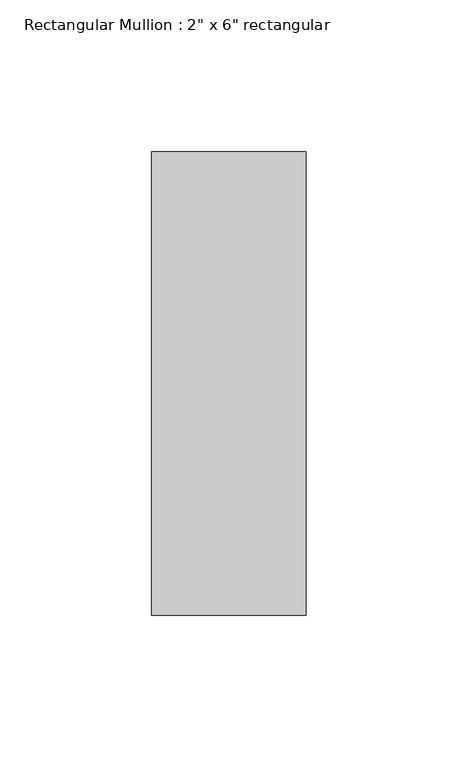
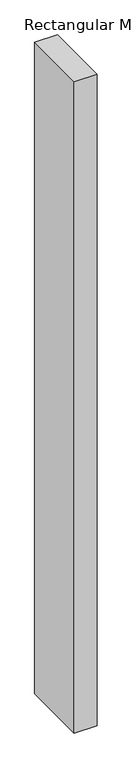
"""IFC4 building model written with IfcOpenShell, lengths in millimetres: member geometry."""

import ifcopenshell
import ifcopenshell.guid

model = None  # the IFC model being written
_history = None  # IfcOwnerHistory: only IFC2X3 demands one
_inside = {}  # id of a spatial element -> (the spatial element, [elements in it])
_under = {}  # id of a project, library or spatial element -> (it, [spatial elements below it])
_declared = {}  # id of a project -> (the project, [libraries it declares])
_typed = {}  # id of a type object -> (the type object, [elements of that type])
_made_of = {}  # id of a material, layer set ... -> (it, [elements and type objects made of it])


def new_model(schema):
    """Start an empty IFC model of exactly this schema.

    Asked for "IFC4X3", IfcOpenShell would pick the latest addendum, in which some entities
    have other attributes; the version numbers below select the first issue.
    IFC2X3 requires an IfcOwnerHistory on every rooted entity: one is made here for all.
    """
    global model, _history
    if schema == "IFC4X3":
        model = ifcopenshell.file(schema_version=(4, 3, 0, 0))
    else:
        model = ifcopenshell.file(schema=schema)
    _inside.clear()
    _under.clear()
    _declared.clear()
    _typed.clear()
    _made_of.clear()
    _history = None
    if model.schema == "IFC2X3":
        org = make("IfcOrganization", Name="unknown")
        user = make(
            "IfcPersonAndOrganization",
            ThePerson=make("IfcPerson", FamilyName="unknown"),
            TheOrganization=org,
        )
        app = make(
            "IfcApplication",
            ApplicationDeveloper=org,
            Version="unknown",
            ApplicationFullName="unknown",
            ApplicationIdentifier="unknown",
        )
        _history = make(
            "IfcOwnerHistory",
            OwningUser=user,
            OwningApplication=app,
            ChangeAction="ADDED",
            CreationDate=0,
        )
    return model


def make(cls, **values):
    """One entity of the class cls with the attributes given. An attribute that is None is left unset."""
    return model.create_entity(
        cls, **{name: value for name, value in values.items() if value is not None}
    )


def rooted(cls, **values):
    """An entity with a GlobalId (a new one), such as an element, a storey or a relation."""
    return make(cls, GlobalId=ifcopenshell.guid.new(), OwnerHistory=_history, **values)


def si_unit(unit_type, name, prefix=None):
    """IfcSIUnit, for example si_unit("LENGTHUNIT", "METRE", prefix="MILLI")."""
    return make("IfcSIUnit", UnitType=unit_type, Prefix=prefix, Name=name)


def assignment(units):
    """IfcUnitAssignment: the units of a project."""
    return None if units is None else make("IfcUnitAssignment", Units=units)


def point(xyz):
    """IfcCartesianPoint."""
    return None if xyz is None else make("IfcCartesianPoint", Coordinates=xyz)


def direction(xyz):
    """IfcDirection."""
    return None if xyz is None else make("IfcDirection", DirectionRatios=xyz)


def frame(location, z_axis=None, x_axis=None):
    """IfcAxis2Placement3D, a coordinate frame: its origin and axes. An axis left out is left unset."""
    return make(
        "IfcAxis2Placement3D",
        Location=point(location),
        Axis=direction(z_axis),
        RefDirection=direction(x_axis),
    )


def origin():
    """The frame at (0, 0, 0) with its axes left unset."""
    return frame((0.0, 0.0, 0.0))


def place(relative_to, where):
    """IfcLocalPlacement: puts the frame where relative to a parent placement (None: the world)."""
    return make(
        "IfcLocalPlacement", PlacementRelTo=relative_to, RelativePlacement=where
    )


def context(
    kind, dimensions, precision=None, world=None, true_north=None, identifier=None
):
    """IfcGeometricRepresentationContext, for example the 3D "Model" context."""
    return make(
        "IfcGeometricRepresentationContext",
        ContextIdentifier=identifier,
        ContextType=kind,
        CoordinateSpaceDimension=dimensions,
        Precision=precision,
        WorldCoordinateSystem=world,
        TrueNorth=true_north,
    )


def project(units=None, contexts=None):
    """IfcProject with its units and contexts."""
    return rooted(
        "IfcProject",
        Name="project",
        RepresentationContexts=contexts,
        UnitsInContext=assignment(units),
    )


def spatial(cls, under=None, at=None, **own):
    """A site, building, storey or space (cls), placed at a placement, below another one or the project."""
    s = rooted(cls, ObjectPlacement=at, **own)
    if under is not None:
        _under.setdefault(under.id(), (under, []))[1].append(s)
    return s


def polyline(points):
    """IfcPolyline through the points."""
    return make("IfcPolyline", Points=[point(p) for p in points])


def outline(outer, holes=None, kind="AREA"):
    """IfcArbitraryClosedProfileDef: a profile drawn as a closed curve; with holes, ...WithVoids."""
    if holes is None:
        return make("IfcArbitraryClosedProfileDef", ProfileType=kind, OuterCurve=outer)
    return make(
        "IfcArbitraryProfileDefWithVoids",
        ProfileType=kind,
        OuterCurve=outer,
        InnerCurves=holes,
    )


def extrude(swept, where, along, depth):
    """IfcExtrudedAreaSolid: the profile swept, set in the frame where, extruded along a direction by depth."""
    return make(
        "IfcExtrudedAreaSolid",
        SweptArea=swept,
        Position=where,
        ExtrudedDirection=direction(along),
        Depth=depth,
    )


def shape(context_of_items, identifier, shape_type, items):
    """IfcShapeRepresentation: the items that make up one representation, for example the "Body"."""
    return make(
        "IfcShapeRepresentation",
        ContextOfItems=context_of_items,
        RepresentationIdentifier=identifier,
        RepresentationType=shape_type,
        Items=items,
    )


def source(mapping_origin, context_of_items, identifier, shape_type, items):
    """IfcRepresentationMap: a shape defined once, which mapped items show again and again."""
    return make(
        "IfcRepresentationMap",
        MappingOrigin=mapping_origin,
        MappedRepresentation=shape(context_of_items, identifier, shape_type, items),
    )


def transform(
    local_origin,
    x_axis=None,
    y_axis=None,
    z_axis=None,
    scale=None,
    scale2=None,
    scale3=None,
    uniform=True,
):
    """IfcCartesianTransformationOperator3D, or its non-uniform kind. x_axis, y_axis, z_axis: its Axis1, 2, 3."""
    if uniform:
        return make(
            "IfcCartesianTransformationOperator3D",
            Axis1=direction(x_axis),
            Axis2=direction(y_axis),
            LocalOrigin=point(local_origin),
            Scale=scale,
            Axis3=direction(z_axis),
        )
    return make(
        "IfcCartesianTransformationOperator3DnonUniform",
        Axis1=direction(x_axis),
        Axis2=direction(y_axis),
        LocalOrigin=point(local_origin),
        Scale=scale,
        Axis3=direction(z_axis),
        Scale2=scale2,
        Scale3=scale3,
    )


def mapped(mapping_source, mapping_target):
    """IfcMappedItem: shows the shape of a source again, moved by a transform."""
    return make(
        "IfcMappedItem", MappingSource=mapping_source, MappingTarget=mapping_target
    )


def made_of(thing, what):
    """Note that an element or type object is made of a material, layer set ...; save() writes the relation."""
    if what is not None:
        _made_of.setdefault(what.id(), (what, []))[1].append(thing)
    return thing


def element(
    cls,
    number,
    at=None,
    inside=None,
    cuts=None,
    type_object=None,
    material=None,
    context=None,
    identifier="Body",
    shape_type=None,
    held_by="IfcProductDefinitionShape",
    body=None,
    shapes=None,
    **own,
):
    """One element of the class cls, such as IfcWall. Its Tag is "e" and its number.

    at: its placement. inside: the storey or other place that contains it. cuts: it is an
    opening in that element (IfcRelVoidsElement). A single representation is given by context,
    identifier, shape_type and body (its items); several are given by shapes. held_by: the class
    of the entity that holds the representations. save() writes the other relations.
    """
    e = rooted(cls, Tag="e%d" % number, ObjectPlacement=at, **own)
    if body is not None:
        shapes = [shape(context, identifier, shape_type, body)]
    if shapes is not None:
        e.Representation = make(held_by, Representations=shapes)
    if inside is not None:
        _inside.setdefault(inside.id(), (inside, []))[1].append(e)
    if cuts is not None:
        rooted(
            "IfcRelVoidsElement", RelatingBuildingElement=cuts, RelatedOpeningElement=e
        )
    if type_object is not None:
        _typed.setdefault(type_object.id(), (type_object, []))[1].append(e)
    return made_of(e, material)


def aggregate(whole, parts):
    """IfcRelAggregates: a whole, such as a stair, and the parts it consists of."""
    return rooted("IfcRelAggregates", RelatingObject=whole, RelatedObjects=parts)


def save(model, path):
    """Write the relations noted so far, then the file.

    IfcRelAggregates (storeys below a building ...), IfcRelContainedInSpatialStructure (elements
    in a storey), IfcRelDefinesByType, IfcRelAssociatesMaterial and IfcRelDeclares: one each for
    every whole, place, type object, material and project.
    """
    for whole, parts in _under.values():
        aggregate(whole, parts)
    for where, things in _inside.values():
        rooted(
            "IfcRelContainedInSpatialStructure",
            RelatedElements=things,
            RelatingStructure=where,
        )
    for kind, things in _typed.values():
        rooted("IfcRelDefinesByType", RelatedObjects=things, RelatingType=kind)
    for what, things in _made_of.values():
        rooted("IfcRelAssociatesMaterial", RelatedObjects=things, RelatingMaterial=what)
    for by, libraries in _declared.values():
        rooted("IfcRelDeclares", RelatingContext=by, RelatedDefinitions=libraries)
    model.write(path)


def member_d2d9ecc9(model_context):
    return source(origin(), model_context, "Body", "SweptSolid", [
        extrude(outline(polyline([(25.4, 76.2), (25.4, -76.2), (-25.4, -76.2), (-25.4, 76.2), (25.4, 76.2)])), frame((0.0, 0.0, -1534.16), z_axis=(0.0, 0.0, 1.0), x_axis=(1.0, 0.0, 0.0)), (0.0, 0.0, 1.0), 1534.16),
    ])


if __name__ == "__main__":
    model = new_model("IFC4")
    model_context = context("Model", 3, world=origin())
    ifc_project = project(units=[si_unit("LENGTHUNIT", "METRE", prefix="MILLI")], contexts=[model_context])
    site = spatial("IfcSite", under=ifc_project)
    building = spatial("IfcBuilding", under=site)
    placement = place(None, origin())
    member_shape = member_d2d9ecc9(model_context)
    element("IfcMember", 1, ObjectType="Rectangular Mullion : 2\" x 6\" rectangular", at=placement, inside=building, context=model_context, shape_type="MappedRepresentation", body=[
        mapped(member_shape, transform((0.0, 0.0, 0.0), x_axis=(1.0, 0.0, 0.0), y_axis=(0.0, 1.0, 0.0), z_axis=(0.0, 0.0, 1.0))),
    ])
    save(model, "model.ifc")
